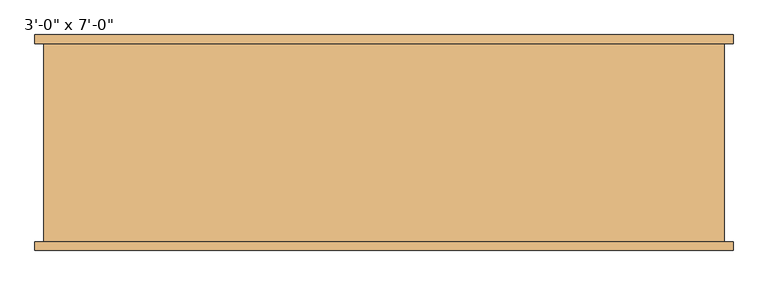
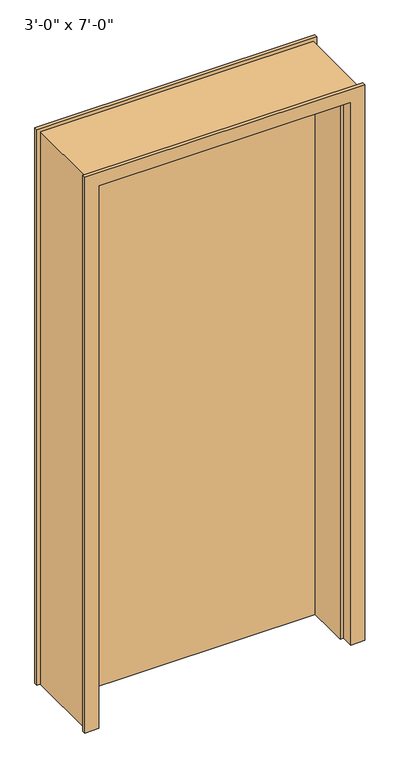
"""IFC4 building model written with IfcOpenShell, lengths in millimetres: door geometry."""

from ifc_helpers import new_model, si_unit, origin, origin_with_axes, place, context, project, spatial, polyline, outline, extrude, faceted_brep, source, transform, mapped, element, save


def door_9903df7c(model_context):
    return source(origin(), model_context, "Body", "SolidModel", [
        faceted_brep([(-1270.0, 157.1625, 0.0), (-1219.2, 157.1625, 0.0), (-1219.2, 112.7125, 0.0), (-1206.5, 112.7125, 0.0), (-1206.5, -112.7125, 0.0), (-1219.2, -112.7125, 0.0), (-1219.2, -157.1625, 0.0), (-1270.0, -157.1625, 0.0), (-1270.0, -144.4625, 0.0), (-1257.3, -144.4625, 0.0), (-1257.3, 144.4625, 0.0), (-1270.0, 144.4625, 0.0), (-1270.0, 157.1625, 2133.6), (-254.0, 157.1625, 2133.6), (-254.0, 157.1625, 0.0), (-304.8, 157.1625, 0.0), (-304.8, 157.1625, 2082.8), (-1219.2, 157.1625, 2082.8), (-1219.2, 112.7125, 2082.8), (-304.8, 112.7125, 2082.8), (-304.8, 112.7125, 0.0), (-317.5, 112.7125, 0.0), (-317.5, 112.7125, 2070.1), (-1206.5, 112.7125, 2070.1), (-1206.5, -112.7125, 2070.1), (-317.5, -112.7125, 2070.1), (-317.5, -112.7125, 0.0), (-304.8, -112.7125, 0.0), (-304.8, -112.7125, 2082.8), (-1219.2, -112.7125, 2082.8), (-1219.2, -157.1625, 2082.8), (-304.8, -157.1625, 2082.8), (-304.8, -157.1625, 0.0), (-254.0, -157.1625, 0.0), (-254.0, -157.1625, 2133.6), (-1270.0, -157.1625, 2133.6), (-1270.0, -144.4625, 2133.6), (-254.0, -144.4625, 2133.6), (-254.0, -144.4625, 0.0), (-266.7, -144.4625, 0.0), (-266.7, -144.4625, 2120.9), (-1257.3, -144.4625, 2120.9), (-1257.3, 144.4625, 2120.9), (-266.7, 144.4625, 2120.9), (-266.7, 144.4625, 0.0), (-254.0, 144.4625, 0.0), (-254.0, 144.4625, 2133.6), (-1270.0, 144.4625, 2133.6)], [[[0, 1, 2, 3, 4, 5, 6, 7, 8, 9, 10, 11]], [[1, 0, 12, 13, 14, 15, 16, 17]], [[2, 1, 17, 18]], [[3, 2, 18, 19, 20, 21, 22, 23]], [[4, 3, 23, 24]], [[5, 4, 24, 25, 26, 27, 28, 29]], [[6, 5, 29, 30]], [[7, 6, 30, 31, 32, 33, 34, 35]], [[8, 7, 35, 36]], [[9, 8, 36, 37, 38, 39, 40, 41]], [[10, 9, 41, 42]], [[11, 10, 42, 43, 44, 45, 46, 47]], [[0, 11, 47, 12]], [[13, 46, 45, 14]], [[14, 45, 44, 39, 38, 33, 32, 27, 26, 21, 20, 15]], [[19, 16, 15, 20]], [[25, 22, 21, 26]], [[31, 28, 27, 32]], [[37, 34, 33, 38]], [[43, 40, 39, 44]], [[18, 17, 16, 19]], [[24, 23, 22, 25]], [[30, 29, 28, 31]], [[36, 35, 34, 37]], [[42, 41, 40, 43]], [[12, 47, 46, 13]]]),
        extrude(outline(polyline([(-304.8, 44.45), (-1219.2, 44.45), (-1219.2, 88.9), (-304.8, 88.9), (-304.8, 44.45)])), origin_with_axes(), (0.0, 0.0, 1.0), 2082.8),
    ])


if __name__ == "__main__":
    model = new_model("IFC4")
    model_context = context("Model", 3, world=origin())
    ifc_project = project(units=[si_unit("LENGTHUNIT", "METRE", prefix="MILLI")], contexts=[model_context])
    site = spatial("IfcSite", under=ifc_project)
    building = spatial("IfcBuilding", under=site)
    placement = place(None, origin())
    door_shape = door_9903df7c(model_context)
    element("IfcDoor", 1, ObjectType="3'-0\" x 7'-0\"", at=placement, inside=building, context=model_context, shape_type="MappedRepresentation", body=[
        mapped(door_shape, transform((0.0, 0.0, 0.0), x_axis=(1.0, 0.0, 0.0), y_axis=(0.0, 1.0, 0.0), z_axis=(0.0, 0.0, 1.0))),
    ])
    save(model, "model.ifc")
